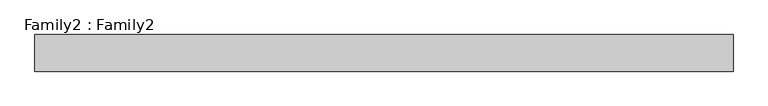
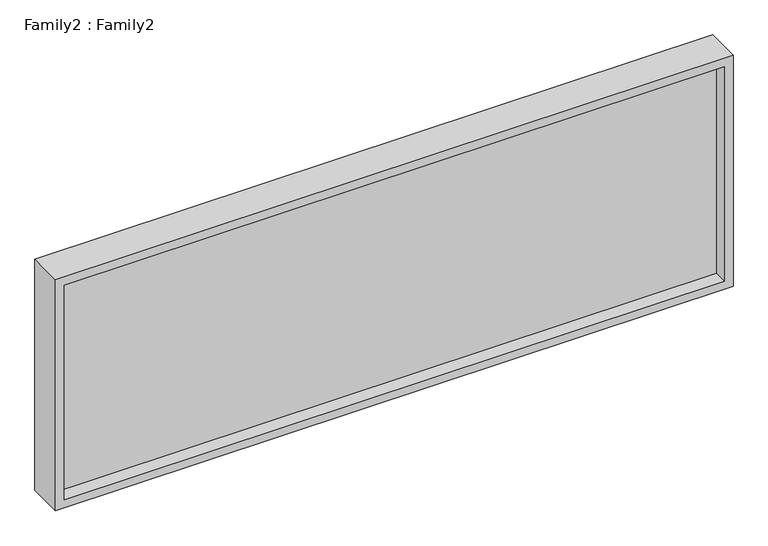
"""IFC4 building model written with IfcOpenShell, lengths in millimetres: plate geometry, Family2 : Family2."""

import ifcopenshell
import ifcopenshell.guid

model = None  # the IFC model being written
_history = None  # IfcOwnerHistory: only IFC2X3 demands one
_inside = {}  # id of a spatial element -> (the spatial element, [elements in it])
_under = {}  # id of a project, library or spatial element -> (it, [spatial elements below it])
_declared = {}  # id of a project -> (the project, [libraries it declares])
_typed = {}  # id of a type object -> (the type object, [elements of that type])
_made_of = {}  # id of a material, layer set ... -> (it, [elements and type objects made of it])


def new_model(schema):
    """Start an empty IFC model of exactly this schema.

    Asked for "IFC4X3", IfcOpenShell would pick the latest addendum, in which some entities
    have other attributes; the version numbers below select the first issue.
    IFC2X3 requires an IfcOwnerHistory on every rooted entity: one is made here for all.
    """
    global model, _history
    if schema == "IFC4X3":
        model = ifcopenshell.file(schema_version=(4, 3, 0, 0))
    else:
        model = ifcopenshell.file(schema=schema)
    _inside.clear()
    _under.clear()
    _declared.clear()
    _typed.clear()
    _made_of.clear()
    _history = None
    if model.schema == "IFC2X3":
        org = make("IfcOrganization", Name="unknown")
        user = make(
            "IfcPersonAndOrganization",
            ThePerson=make("IfcPerson", FamilyName="unknown"),
            TheOrganization=org,
        )
        app = make(
            "IfcApplication",
            ApplicationDeveloper=org,
            Version="unknown",
            ApplicationFullName="unknown",
            ApplicationIdentifier="unknown",
        )
        _history = make(
            "IfcOwnerHistory",
            OwningUser=user,
            OwningApplication=app,
            ChangeAction="ADDED",
            CreationDate=0,
        )
    return model


def make(cls, **values):
    """One entity of the class cls with the attributes given. An attribute that is None is left unset."""
    return model.create_entity(
        cls, **{name: value for name, value in values.items() if value is not None}
    )


def rooted(cls, **values):
    """An entity with a GlobalId (a new one), such as an element, a storey or a relation."""
    return make(cls, GlobalId=ifcopenshell.guid.new(), OwnerHistory=_history, **values)


def si_unit(unit_type, name, prefix=None):
    """IfcSIUnit, for example si_unit("LENGTHUNIT", "METRE", prefix="MILLI")."""
    return make("IfcSIUnit", UnitType=unit_type, Prefix=prefix, Name=name)


def assignment(units):
    """IfcUnitAssignment: the units of a project."""
    return None if units is None else make("IfcUnitAssignment", Units=units)


def point(xyz):
    """IfcCartesianPoint."""
    return None if xyz is None else make("IfcCartesianPoint", Coordinates=xyz)


def direction(xyz):
    """IfcDirection."""
    return None if xyz is None else make("IfcDirection", DirectionRatios=xyz)


def frame(location, z_axis=None, x_axis=None):
    """IfcAxis2Placement3D, a coordinate frame: its origin and axes. An axis left out is left unset."""
    return make(
        "IfcAxis2Placement3D",
        Location=point(location),
        Axis=direction(z_axis),
        RefDirection=direction(x_axis),
    )


def origin():
    """The frame at (0, 0, 0) with its axes left unset."""
    return frame((0.0, 0.0, 0.0))


def place(relative_to, where):
    """IfcLocalPlacement: puts the frame where relative to a parent placement (None: the world)."""
    return make(
        "IfcLocalPlacement", PlacementRelTo=relative_to, RelativePlacement=where
    )


def context(
    kind, dimensions, precision=None, world=None, true_north=None, identifier=None
):
    """IfcGeometricRepresentationContext, for example the 3D "Model" context."""
    return make(
        "IfcGeometricRepresentationContext",
        ContextIdentifier=identifier,
        ContextType=kind,
        CoordinateSpaceDimension=dimensions,
        Precision=precision,
        WorldCoordinateSystem=world,
        TrueNorth=true_north,
    )


def project(units=None, contexts=None):
    """IfcProject with its units and contexts."""
    return rooted(
        "IfcProject",
        Name="project",
        RepresentationContexts=contexts,
        UnitsInContext=assignment(units),
    )


def spatial(cls, under=None, at=None, **own):
    """A site, building, storey or space (cls), placed at a placement, below another one or the project."""
    s = rooted(cls, ObjectPlacement=at, **own)
    if under is not None:
        _under.setdefault(under.id(), (under, []))[1].append(s)
    return s


def polyline(points):
    """IfcPolyline through the points."""
    return make("IfcPolyline", Points=[point(p) for p in points])


def outline(outer, holes=None, kind="AREA"):
    """IfcArbitraryClosedProfileDef: a profile drawn as a closed curve; with holes, ...WithVoids."""
    if holes is None:
        return make("IfcArbitraryClosedProfileDef", ProfileType=kind, OuterCurve=outer)
    return make(
        "IfcArbitraryProfileDefWithVoids",
        ProfileType=kind,
        OuterCurve=outer,
        InnerCurves=holes,
    )


def extrude(swept, where, along, depth):
    """IfcExtrudedAreaSolid: the profile swept, set in the frame where, extruded along a direction by depth."""
    return make(
        "IfcExtrudedAreaSolid",
        SweptArea=swept,
        Position=where,
        ExtrudedDirection=direction(along),
        Depth=depth,
    )


def shape(context_of_items, identifier, shape_type, items):
    """IfcShapeRepresentation: the items that make up one representation, for example the "Body"."""
    return make(
        "IfcShapeRepresentation",
        ContextOfItems=context_of_items,
        RepresentationIdentifier=identifier,
        RepresentationType=shape_type,
        Items=items,
    )


def source(mapping_origin, context_of_items, identifier, shape_type, items):
    """IfcRepresentationMap: a shape defined once, which mapped items show again and again."""
    return make(
        "IfcRepresentationMap",
        MappingOrigin=mapping_origin,
        MappedRepresentation=shape(context_of_items, identifier, shape_type, items),
    )


def transform(
    local_origin,
    x_axis=None,
    y_axis=None,
    z_axis=None,
    scale=None,
    scale2=None,
    scale3=None,
    uniform=True,
):
    """IfcCartesianTransformationOperator3D, or its non-uniform kind. x_axis, y_axis, z_axis: its Axis1, 2, 3."""
    if uniform:
        return make(
            "IfcCartesianTransformationOperator3D",
            Axis1=direction(x_axis),
            Axis2=direction(y_axis),
            LocalOrigin=point(local_origin),
            Scale=scale,
            Axis3=direction(z_axis),
        )
    return make(
        "IfcCartesianTransformationOperator3DnonUniform",
        Axis1=direction(x_axis),
        Axis2=direction(y_axis),
        LocalOrigin=point(local_origin),
        Scale=scale,
        Axis3=direction(z_axis),
        Scale2=scale2,
        Scale3=scale3,
    )


def mapped(mapping_source, mapping_target):
    """IfcMappedItem: shows the shape of a source again, moved by a transform."""
    return make(
        "IfcMappedItem", MappingSource=mapping_source, MappingTarget=mapping_target
    )


def made_of(thing, what):
    """Note that an element or type object is made of a material, layer set ...; save() writes the relation."""
    if what is not None:
        _made_of.setdefault(what.id(), (what, []))[1].append(thing)
    return thing


def element(
    cls,
    number,
    at=None,
    inside=None,
    cuts=None,
    type_object=None,
    material=None,
    context=None,
    identifier="Body",
    shape_type=None,
    held_by="IfcProductDefinitionShape",
    body=None,
    shapes=None,
    **own,
):
    """One element of the class cls, such as IfcWall. Its Tag is "e" and its number.

    at: its placement. inside: the storey or other place that contains it. cuts: it is an
    opening in that element (IfcRelVoidsElement). A single representation is given by context,
    identifier, shape_type and body (its items); several are given by shapes. held_by: the class
    of the entity that holds the representations. save() writes the other relations.
    """
    e = rooted(cls, Tag="e%d" % number, ObjectPlacement=at, **own)
    if body is not None:
        shapes = [shape(context, identifier, shape_type, body)]
    if shapes is not None:
        e.Representation = make(held_by, Representations=shapes)
    if inside is not None:
        _inside.setdefault(inside.id(), (inside, []))[1].append(e)
    if cuts is not None:
        rooted(
            "IfcRelVoidsElement", RelatingBuildingElement=cuts, RelatedOpeningElement=e
        )
    if type_object is not None:
        _typed.setdefault(type_object.id(), (type_object, []))[1].append(e)
    return made_of(e, material)


def aggregate(whole, parts):
    """IfcRelAggregates: a whole, such as a stair, and the parts it consists of."""
    return rooted("IfcRelAggregates", RelatingObject=whole, RelatedObjects=parts)


def save(model, path):
    """Write the relations noted so far, then the file.

    IfcRelAggregates (storeys below a building ...), IfcRelContainedInSpatialStructure (elements
    in a storey), IfcRelDefinesByType, IfcRelAssociatesMaterial and IfcRelDeclares: one each for
    every whole, place, type object, material and project.
    """
    for whole, parts in _under.values():
        aggregate(whole, parts)
    for where, things in _inside.values():
        rooted(
            "IfcRelContainedInSpatialStructure",
            RelatedElements=things,
            RelatingStructure=where,
        )
    for kind, things in _typed.values():
        rooted("IfcRelDefinesByType", RelatedObjects=things, RelatingType=kind)
    for what, things in _made_of.values():
        rooted("IfcRelAssociatesMaterial", RelatedObjects=things, RelatingMaterial=what)
    for by, libraries in _declared.values():
        rooted("IfcRelDeclares", RelatingContext=by, RelatedDefinitions=libraries)
    model.write(path)


def family2_family2_b6c47c51(model_context):
    return source(origin(), model_context, "Body", "SweptSolid", [
        extrude(outline(polyline([(550.0, -762.5), (0.0, -762.5), (0.0, 762.5), (550.0, 762.5), (550.0, -762.5)]), holes=[polyline([(20.0, -742.5), (530.0, -742.5), (530.0, 742.5), (20.0, 742.5), (20.0, -742.5)])]), frame((0.0, -40.0, 0.0), z_axis=(0.0, 1.0, 0.0), x_axis=(0.0, 0.0, 1.0)), (0.0, 0.0, 1.0), 80.0),
        extrude(outline(polyline([(742.5, -10.0), (-742.5, -10.0), (-742.5, 10.0), (742.5, 10.0), (742.5, -10.0)])), frame((0.0, 0.0, 20.0), z_axis=(0.0, 0.0, 1.0), x_axis=(1.0, 0.0, 0.0)), (0.0, 0.0, 1.0), 510.0),
    ])


if __name__ == "__main__":
    model = new_model("IFC4")
    model_context = context("Model", 3, world=origin())
    ifc_project = project(units=[si_unit("LENGTHUNIT", "METRE", prefix="MILLI")], contexts=[model_context])
    site = spatial("IfcSite", under=ifc_project)
    building = spatial("IfcBuilding", under=site)
    placement = place(None, origin())
    family2_family2_shape = family2_family2_b6c47c51(model_context)
    element("IfcPlate", 1, ObjectType="Family2 : Family2", at=placement, inside=building, context=model_context, shape_type="MappedRepresentation", body=[
        mapped(family2_family2_shape, transform((0.0, 0.0, 0.0), x_axis=(1.0, 0.0, 0.0), y_axis=(0.0, 1.0, 0.0), z_axis=(0.0, 0.0, 1.0))),
    ])
    save(model, "model.ifc")
